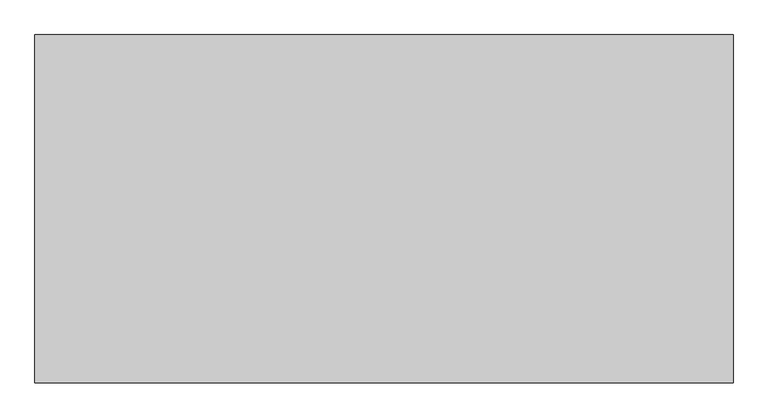
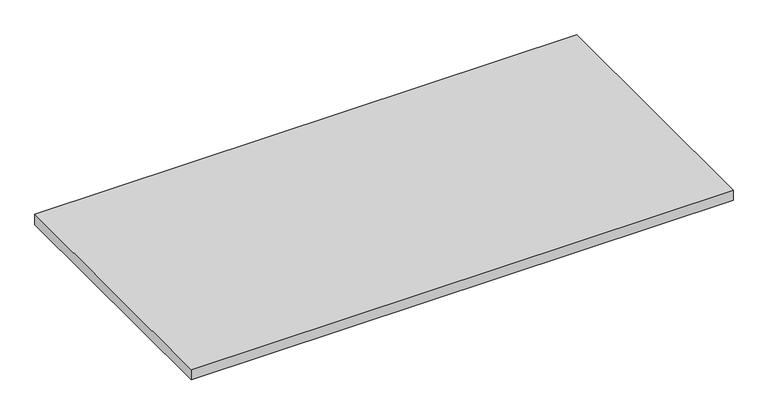
"""IFC4 building model written with IfcOpenShell, lengths in millimetres: furniture geometry."""

import ifcopenshell
import ifcopenshell.guid

model = None  # the IFC model being written
_history = None  # IfcOwnerHistory: only IFC2X3 demands one
_inside = {}  # id of a spatial element -> (the spatial element, [elements in it])
_under = {}  # id of a project, library or spatial element -> (it, [spatial elements below it])
_declared = {}  # id of a project -> (the project, [libraries it declares])
_typed = {}  # id of a type object -> (the type object, [elements of that type])
_made_of = {}  # id of a material, layer set ... -> (it, [elements and type objects made of it])


def new_model(schema):
    """Start an empty IFC model of exactly this schema.

    Asked for "IFC4X3", IfcOpenShell would pick the latest addendum, in which some entities
    have other attributes; the version numbers below select the first issue.
    IFC2X3 requires an IfcOwnerHistory on every rooted entity: one is made here for all.
    """
    global model, _history
    if schema == "IFC4X3":
        model = ifcopenshell.file(schema_version=(4, 3, 0, 0))
    else:
        model = ifcopenshell.file(schema=schema)
    _inside.clear()
    _under.clear()
    _declared.clear()
    _typed.clear()
    _made_of.clear()
    _history = None
    if model.schema == "IFC2X3":
        org = make("IfcOrganization", Name="unknown")
        user = make(
            "IfcPersonAndOrganization",
            ThePerson=make("IfcPerson", FamilyName="unknown"),
            TheOrganization=org,
        )
        app = make(
            "IfcApplication",
            ApplicationDeveloper=org,
            Version="unknown",
            ApplicationFullName="unknown",
            ApplicationIdentifier="unknown",
        )
        _history = make(
            "IfcOwnerHistory",
            OwningUser=user,
            OwningApplication=app,
            ChangeAction="ADDED",
            CreationDate=0,
        )
    return model


def make(cls, **values):
    """One entity of the class cls with the attributes given. An attribute that is None is left unset."""
    return model.create_entity(
        cls, **{name: value for name, value in values.items() if value is not None}
    )


def rooted(cls, **values):
    """An entity with a GlobalId (a new one), such as an element, a storey or a relation."""
    return make(cls, GlobalId=ifcopenshell.guid.new(), OwnerHistory=_history, **values)


def si_unit(unit_type, name, prefix=None):
    """IfcSIUnit, for example si_unit("LENGTHUNIT", "METRE", prefix="MILLI")."""
    return make("IfcSIUnit", UnitType=unit_type, Prefix=prefix, Name=name)


def assignment(units):
    """IfcUnitAssignment: the units of a project."""
    return None if units is None else make("IfcUnitAssignment", Units=units)


def point(xyz):
    """IfcCartesianPoint."""
    return None if xyz is None else make("IfcCartesianPoint", Coordinates=xyz)


def direction(xyz):
    """IfcDirection."""
    return None if xyz is None else make("IfcDirection", DirectionRatios=xyz)


def frame(location, z_axis=None, x_axis=None):
    """IfcAxis2Placement3D, a coordinate frame: its origin and axes. An axis left out is left unset."""
    return make(
        "IfcAxis2Placement3D",
        Location=point(location),
        Axis=direction(z_axis),
        RefDirection=direction(x_axis),
    )


def origin():
    """The frame at (0, 0, 0) with its axes left unset."""
    return frame((0.0, 0.0, 0.0))


def place(relative_to, where):
    """IfcLocalPlacement: puts the frame where relative to a parent placement (None: the world)."""
    return make(
        "IfcLocalPlacement", PlacementRelTo=relative_to, RelativePlacement=where
    )


def context(
    kind, dimensions, precision=None, world=None, true_north=None, identifier=None
):
    """IfcGeometricRepresentationContext, for example the 3D "Model" context."""
    return make(
        "IfcGeometricRepresentationContext",
        ContextIdentifier=identifier,
        ContextType=kind,
        CoordinateSpaceDimension=dimensions,
        Precision=precision,
        WorldCoordinateSystem=world,
        TrueNorth=true_north,
    )


def project(units=None, contexts=None):
    """IfcProject with its units and contexts."""
    return rooted(
        "IfcProject",
        Name="project",
        RepresentationContexts=contexts,
        UnitsInContext=assignment(units),
    )


def spatial(cls, under=None, at=None, **own):
    """A site, building, storey or space (cls), placed at a placement, below another one or the project."""
    s = rooted(cls, ObjectPlacement=at, **own)
    if under is not None:
        _under.setdefault(under.id(), (under, []))[1].append(s)
    return s


def polyline(points):
    """IfcPolyline through the points."""
    return make("IfcPolyline", Points=[point(p) for p in points])


def outline(outer, holes=None, kind="AREA"):
    """IfcArbitraryClosedProfileDef: a profile drawn as a closed curve; with holes, ...WithVoids."""
    if holes is None:
        return make("IfcArbitraryClosedProfileDef", ProfileType=kind, OuterCurve=outer)
    return make(
        "IfcArbitraryProfileDefWithVoids",
        ProfileType=kind,
        OuterCurve=outer,
        InnerCurves=holes,
    )


def extrude(swept, where, along, depth):
    """IfcExtrudedAreaSolid: the profile swept, set in the frame where, extruded along a direction by depth."""
    return make(
        "IfcExtrudedAreaSolid",
        SweptArea=swept,
        Position=where,
        ExtrudedDirection=direction(along),
        Depth=depth,
    )


def shape(context_of_items, identifier, shape_type, items):
    """IfcShapeRepresentation: the items that make up one representation, for example the "Body"."""
    return make(
        "IfcShapeRepresentation",
        ContextOfItems=context_of_items,
        RepresentationIdentifier=identifier,
        RepresentationType=shape_type,
        Items=items,
    )


def source(mapping_origin, context_of_items, identifier, shape_type, items):
    """IfcRepresentationMap: a shape defined once, which mapped items show again and again."""
    return make(
        "IfcRepresentationMap",
        MappingOrigin=mapping_origin,
        MappedRepresentation=shape(context_of_items, identifier, shape_type, items),
    )


def transform(
    local_origin,
    x_axis=None,
    y_axis=None,
    z_axis=None,
    scale=None,
    scale2=None,
    scale3=None,
    uniform=True,
):
    """IfcCartesianTransformationOperator3D, or its non-uniform kind. x_axis, y_axis, z_axis: its Axis1, 2, 3."""
    if uniform:
        return make(
            "IfcCartesianTransformationOperator3D",
            Axis1=direction(x_axis),
            Axis2=direction(y_axis),
            LocalOrigin=point(local_origin),
            Scale=scale,
            Axis3=direction(z_axis),
        )
    return make(
        "IfcCartesianTransformationOperator3DnonUniform",
        Axis1=direction(x_axis),
        Axis2=direction(y_axis),
        LocalOrigin=point(local_origin),
        Scale=scale,
        Axis3=direction(z_axis),
        Scale2=scale2,
        Scale3=scale3,
    )


def mapped(mapping_source, mapping_target):
    """IfcMappedItem: shows the shape of a source again, moved by a transform."""
    return make(
        "IfcMappedItem", MappingSource=mapping_source, MappingTarget=mapping_target
    )


def made_of(thing, what):
    """Note that an element or type object is made of a material, layer set ...; save() writes the relation."""
    if what is not None:
        _made_of.setdefault(what.id(), (what, []))[1].append(thing)
    return thing


def element(
    cls,
    number,
    at=None,
    inside=None,
    cuts=None,
    type_object=None,
    material=None,
    context=None,
    identifier="Body",
    shape_type=None,
    held_by="IfcProductDefinitionShape",
    body=None,
    shapes=None,
    **own,
):
    """One element of the class cls, such as IfcWall. Its Tag is "e" and its number.

    at: its placement. inside: the storey or other place that contains it. cuts: it is an
    opening in that element (IfcRelVoidsElement). A single representation is given by context,
    identifier, shape_type and body (its items); several are given by shapes. held_by: the class
    of the entity that holds the representations. save() writes the other relations.
    """
    e = rooted(cls, Tag="e%d" % number, ObjectPlacement=at, **own)
    if body is not None:
        shapes = [shape(context, identifier, shape_type, body)]
    if shapes is not None:
        e.Representation = make(held_by, Representations=shapes)
    if inside is not None:
        _inside.setdefault(inside.id(), (inside, []))[1].append(e)
    if cuts is not None:
        rooted(
            "IfcRelVoidsElement", RelatingBuildingElement=cuts, RelatedOpeningElement=e
        )
    if type_object is not None:
        _typed.setdefault(type_object.id(), (type_object, []))[1].append(e)
    return made_of(e, material)


def aggregate(whole, parts):
    """IfcRelAggregates: a whole, such as a stair, and the parts it consists of."""
    return rooted("IfcRelAggregates", RelatingObject=whole, RelatedObjects=parts)


def save(model, path):
    """Write the relations noted so far, then the file.

    IfcRelAggregates (storeys below a building ...), IfcRelContainedInSpatialStructure (elements
    in a storey), IfcRelDefinesByType, IfcRelAssociatesMaterial and IfcRelDeclares: one each for
    every whole, place, type object, material and project.
    """
    for whole, parts in _under.values():
        aggregate(whole, parts)
    for where, things in _inside.values():
        rooted(
            "IfcRelContainedInSpatialStructure",
            RelatedElements=things,
            RelatingStructure=where,
        )
    for kind, things in _typed.values():
        rooted("IfcRelDefinesByType", RelatedObjects=things, RelatingType=kind)
    for what, things in _made_of.values():
        rooted("IfcRelAssociatesMaterial", RelatedObjects=things, RelatingMaterial=what)
    for by, libraries in _declared.values():
        rooted("IfcRelDeclares", RelatingContext=by, RelatedDefinitions=libraries)
    model.write(path)


def furniture_a8544ba3(model_context):
    return source(origin(), model_context, "Body", "SweptSolid", [
        extrude(outline(polyline([(1371.5999999, -3.0467299), (1371.5999999, -762.0), (-149.2249999, -762.0), (-149.2249999, -3.0467299), (1371.5999999, -3.0467299)])), frame((0.0, 0.0, 852.678), z_axis=(0.0, 0.0, 1.0), x_axis=(1.0, 0.0, 0.0)), (0.0, 0.0, 1.0), 29.972),
    ])


if __name__ == "__main__":
    model = new_model("IFC4")
    model_context = context("Model", 3, world=origin())
    ifc_project = project(units=[si_unit("LENGTHUNIT", "METRE", prefix="MILLI")], contexts=[model_context])
    site = spatial("IfcSite", under=ifc_project)
    building = spatial("IfcBuilding", under=site)
    placement = place(None, origin())
    furniture_shape = furniture_a8544ba3(model_context)
    element("IfcFurniture", 1, at=placement, inside=building, context=model_context, shape_type="MappedRepresentation", body=[
        mapped(furniture_shape, transform((0.0, 0.0, 0.0), x_axis=(1.0, 0.0, 0.0), y_axis=(0.0, 1.0, 0.0), z_axis=(0.0, 0.0, 1.0))),
    ])
    save(model, "model.ifc")
